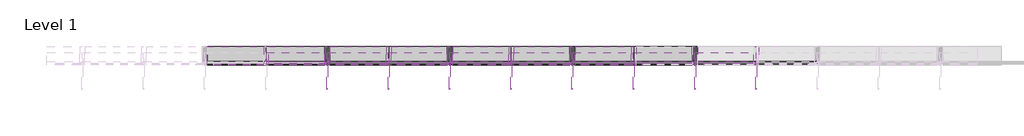
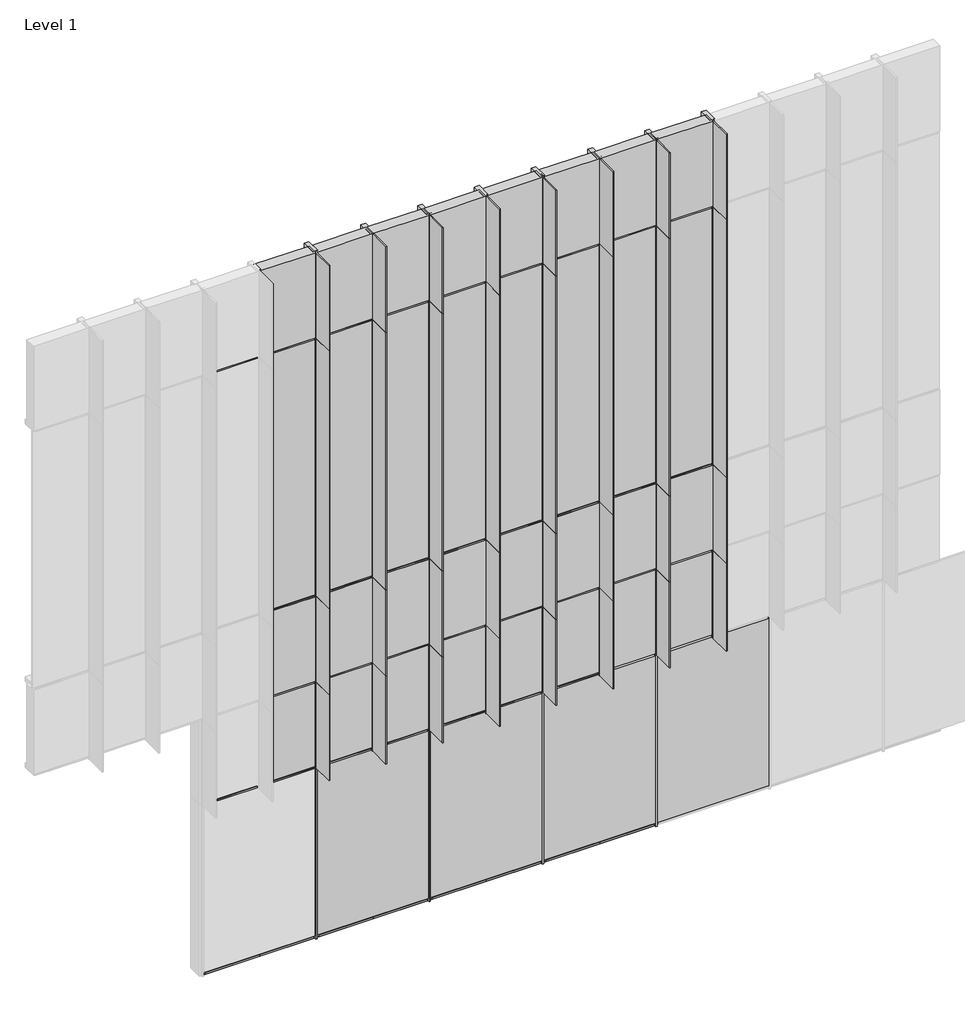
# One storey, part 7 of 15: 73 members, 36 plates.
"""IFC4 building model written with IfcOpenShell, lengths in millimetres."""

import ifcopenshell
import ifcopenshell.guid

model = None  # the IFC model being written
_history = None  # IfcOwnerHistory: only IFC2X3 demands one
_inside = {}  # id of a spatial element -> (the spatial element, [elements in it])
_under = {}  # id of a project, library or spatial element -> (it, [spatial elements below it])
_declared = {}  # id of a project -> (the project, [libraries it declares])
_typed = {}  # id of a type object -> (the type object, [elements of that type])
_made_of = {}  # id of a material, layer set ... -> (it, [elements and type objects made of it])


def new_model(schema):
    """Start an empty IFC model of exactly this schema.

    Asked for "IFC4X3", IfcOpenShell would pick the latest addendum, in which some entities
    have other attributes; the version numbers below select the first issue.
    IFC2X3 requires an IfcOwnerHistory on every rooted entity: one is made here for all.
    """
    global model, _history
    if schema == "IFC4X3":
        model = ifcopenshell.file(schema_version=(4, 3, 0, 0))
    else:
        model = ifcopenshell.file(schema=schema)
    _inside.clear()
    _under.clear()
    _declared.clear()
    _typed.clear()
    _made_of.clear()
    _history = None
    if model.schema == "IFC2X3":
        org = make("IfcOrganization", Name="unknown")
        user = make(
            "IfcPersonAndOrganization",
            ThePerson=make("IfcPerson", FamilyName="unknown"),
            TheOrganization=org,
        )
        app = make(
            "IfcApplication",
            ApplicationDeveloper=org,
            Version="unknown",
            ApplicationFullName="unknown",
            ApplicationIdentifier="unknown",
        )
        _history = make(
            "IfcOwnerHistory",
            OwningUser=user,
            OwningApplication=app,
            ChangeAction="ADDED",
            CreationDate=0,
        )
    return model


def make(cls, **values):
    """One entity of the class cls with the attributes given. An attribute that is None is left unset."""
    return model.create_entity(
        cls, **{name: value for name, value in values.items() if value is not None}
    )


def rooted(cls, **values):
    """An entity with a GlobalId (a new one), such as an element, a storey or a relation."""
    return make(cls, GlobalId=ifcopenshell.guid.new(), OwnerHistory=_history, **values)


def si_unit(unit_type, name, prefix=None):
    """IfcSIUnit, for example si_unit("LENGTHUNIT", "METRE", prefix="MILLI")."""
    return make("IfcSIUnit", UnitType=unit_type, Prefix=prefix, Name=name)


def assignment(units):
    """IfcUnitAssignment: the units of a project."""
    return None if units is None else make("IfcUnitAssignment", Units=units)


def point(xyz):
    """IfcCartesianPoint."""
    return None if xyz is None else make("IfcCartesianPoint", Coordinates=xyz)


def direction(xyz):
    """IfcDirection."""
    return None if xyz is None else make("IfcDirection", DirectionRatios=xyz)


def frame(location, z_axis=None, x_axis=None):
    """IfcAxis2Placement3D, a coordinate frame: its origin and axes. An axis left out is left unset."""
    return make(
        "IfcAxis2Placement3D",
        Location=point(location),
        Axis=direction(z_axis),
        RefDirection=direction(x_axis),
    )


def origin():
    """The frame at (0, 0, 0) with its axes left unset."""
    return frame((0.0, 0.0, 0.0))


def origin_with_axes():
    """The frame at (0, 0, 0) with the z axis (0, 0, 1) and the x axis (1, 0, 0) written out."""
    return frame((0.0, 0.0, 0.0), z_axis=(0.0, 0.0, 1.0), x_axis=(1.0, 0.0, 0.0))


def place(relative_to, where):
    """IfcLocalPlacement: puts the frame where relative to a parent placement (None: the world)."""
    return make(
        "IfcLocalPlacement", PlacementRelTo=relative_to, RelativePlacement=where
    )


def context(
    kind, dimensions, precision=None, world=None, true_north=None, identifier=None
):
    """IfcGeometricRepresentationContext, for example the 3D "Model" context."""
    return make(
        "IfcGeometricRepresentationContext",
        ContextIdentifier=identifier,
        ContextType=kind,
        CoordinateSpaceDimension=dimensions,
        Precision=precision,
        WorldCoordinateSystem=world,
        TrueNorth=true_north,
    )


def project(units=None, contexts=None):
    """IfcProject with its units and contexts."""
    return rooted(
        "IfcProject",
        Name="project",
        RepresentationContexts=contexts,
        UnitsInContext=assignment(units),
    )


def spatial(cls, under=None, at=None, **own):
    """A site, building, storey or space (cls), placed at a placement, below another one or the project."""
    s = rooted(cls, ObjectPlacement=at, **own)
    if under is not None:
        _under.setdefault(under.id(), (under, []))[1].append(s)
    return s


def polyline(points):
    """IfcPolyline through the points."""
    return make("IfcPolyline", Points=[point(p) for p in points])


def outline(outer, holes=None, kind="AREA"):
    """IfcArbitraryClosedProfileDef: a profile drawn as a closed curve; with holes, ...WithVoids."""
    if holes is None:
        return make("IfcArbitraryClosedProfileDef", ProfileType=kind, OuterCurve=outer)
    return make(
        "IfcArbitraryProfileDefWithVoids",
        ProfileType=kind,
        OuterCurve=outer,
        InnerCurves=holes,
    )


def extrude(swept, where, along, depth):
    """IfcExtrudedAreaSolid: the profile swept, set in the frame where, extruded along a direction by depth."""
    return make(
        "IfcExtrudedAreaSolid",
        SweptArea=swept,
        Position=where,
        ExtrudedDirection=direction(along),
        Depth=depth,
    )


def shape(context_of_items, identifier, shape_type, items):
    """IfcShapeRepresentation: the items that make up one representation, for example the "Body"."""
    return make(
        "IfcShapeRepresentation",
        ContextOfItems=context_of_items,
        RepresentationIdentifier=identifier,
        RepresentationType=shape_type,
        Items=items,
    )


def source(mapping_origin, context_of_items, identifier, shape_type, items):
    """IfcRepresentationMap: a shape defined once, which mapped items show again and again."""
    return make(
        "IfcRepresentationMap",
        MappingOrigin=mapping_origin,
        MappedRepresentation=shape(context_of_items, identifier, shape_type, items),
    )


def transform(
    local_origin,
    x_axis=None,
    y_axis=None,
    z_axis=None,
    scale=None,
    scale2=None,
    scale3=None,
    uniform=True,
):
    """IfcCartesianTransformationOperator3D, or its non-uniform kind. x_axis, y_axis, z_axis: its Axis1, 2, 3."""
    if uniform:
        return make(
            "IfcCartesianTransformationOperator3D",
            Axis1=direction(x_axis),
            Axis2=direction(y_axis),
            LocalOrigin=point(local_origin),
            Scale=scale,
            Axis3=direction(z_axis),
        )
    return make(
        "IfcCartesianTransformationOperator3DnonUniform",
        Axis1=direction(x_axis),
        Axis2=direction(y_axis),
        LocalOrigin=point(local_origin),
        Scale=scale,
        Axis3=direction(z_axis),
        Scale2=scale2,
        Scale3=scale3,
    )


def mapped(mapping_source, mapping_target):
    """IfcMappedItem: shows the shape of a source again, moved by a transform."""
    return make(
        "IfcMappedItem", MappingSource=mapping_source, MappingTarget=mapping_target
    )


def made_of(thing, what):
    """Note that an element or type object is made of a material, layer set ...; save() writes the relation."""
    if what is not None:
        _made_of.setdefault(what.id(), (what, []))[1].append(thing)
    return thing


def element(
    cls,
    number,
    at=None,
    inside=None,
    cuts=None,
    type_object=None,
    material=None,
    context=None,
    identifier="Body",
    shape_type=None,
    held_by="IfcProductDefinitionShape",
    body=None,
    shapes=None,
    **own,
):
    """One element of the class cls, such as IfcWall. Its Tag is "e" and its number.

    at: its placement. inside: the storey or other place that contains it. cuts: it is an
    opening in that element (IfcRelVoidsElement). A single representation is given by context,
    identifier, shape_type and body (its items); several are given by shapes. held_by: the class
    of the entity that holds the representations. save() writes the other relations.
    """
    e = rooted(cls, Tag="e%d" % number, ObjectPlacement=at, **own)
    if body is not None:
        shapes = [shape(context, identifier, shape_type, body)]
    if shapes is not None:
        e.Representation = make(held_by, Representations=shapes)
    if inside is not None:
        _inside.setdefault(inside.id(), (inside, []))[1].append(e)
    if cuts is not None:
        rooted(
            "IfcRelVoidsElement", RelatingBuildingElement=cuts, RelatedOpeningElement=e
        )
    if type_object is not None:
        _typed.setdefault(type_object.id(), (type_object, []))[1].append(e)
    return made_of(e, material)


def aggregate(whole, parts):
    """IfcRelAggregates: a whole, such as a stair, and the parts it consists of."""
    return rooted("IfcRelAggregates", RelatingObject=whole, RelatedObjects=parts)


def save(model, path):
    """Write the relations noted so far, then the file.

    IfcRelAggregates (storeys below a building ...), IfcRelContainedInSpatialStructure (elements
    in a storey), IfcRelDefinesByType, IfcRelAssociatesMaterial and IfcRelDeclares: one each for
    every whole, place, type object, material and project.
    """
    for whole, parts in _under.values():
        aggregate(whole, parts)
    for where, things in _inside.values():
        rooted(
            "IfcRelContainedInSpatialStructure",
            RelatedElements=things,
            RelatingStructure=where,
        )
    for kind, things in _typed.values():
        rooted("IfcRelDefinesByType", RelatedObjects=things, RelatingType=kind)
    for what, things in _made_of.values():
        rooted("IfcRelAssociatesMaterial", RelatedObjects=things, RelatingMaterial=what)
    for by, libraries in _declared.values():
        rooted("IfcRelDeclares", RelatingContext=by, RelatedDefinitions=libraries)
    model.write(path)


def rectangular_mullion_658b0388(model_context):
    return source(origin(), model_context, "Body", "SweptSolid", [
        extrude(outline(polyline([(33.2101153, -228.6), (-30.2898847, -228.6), (-30.2898847, -26.9875), (-8.0648847, -26.9875), (-8.0648847, 0.0), (-4.8898847, 0.0), (-4.8898847, 304.8), (7.8101153, 304.8), (7.8101153, 0.0), (10.9851153, 0.0), (10.9851153, -26.9875), (33.2101153, -26.9875), (33.2101153, -228.6)])), frame((0.0, 0.0, -3657.6), z_axis=(0.0, 0.0, 1.0), x_axis=(1.0, 0.0, 0.0)), (0.0, 0.0, 1.0), 3657.6),
    ])


def rectangular_mullion_40a1b22a(model_context):
    return source(origin(), model_context, "Body", "SweptSolid", [
        extrude(outline(polyline([(33.2101153, -228.6), (-30.2898847, -228.6), (-30.2898847, -26.9875), (-8.0648847, -26.9875), (-8.0648847, 0.0), (-4.8898847, 0.0), (-4.8898847, 304.8), (7.8101153, 304.8), (7.8101153, 0.0), (10.9851153, 0.0), (10.9851153, -26.9875), (33.2101153, -26.9875), (33.2101153, -228.6)])), frame((0.0, 0.0, -1219.2), z_axis=(0.0, 0.0, 1.0), x_axis=(1.0, 0.0, 0.0)), (0.0, 0.0, 1.0), 1219.2),
    ])


def rectangular_mullion_8a8c6ea4(model_context):
    return source(origin(), model_context, "Body", "SweptSolid", [
        extrude(outline(polyline([(31.75, -228.6), (-31.75, -228.6), (-31.75, -26.9875), (-9.525, -26.9875), (-9.525, 0.0), (9.525, 0.0), (9.525, -26.9875), (31.75, -26.9875), (31.75, -228.6)])), frame((0.0, 0.0, -698.5), z_axis=(0.0, 0.0, 1.0), x_axis=(1.0, 0.0, 0.0)), (0.0, 0.0, 1.0), 698.5),
    ])


def rectangular_mullion_2ba164b7(model_context):
    return source(origin(), model_context, "Body", "SweptSolid", [
        extrude(outline(polyline([(31.75, -228.6), (-31.75, -228.6), (-31.75, -26.9875), (-9.525, -26.9875), (-9.525, 0.0), (9.525, 0.0), (9.525, -26.9875), (31.75, -26.9875), (31.75, -228.6)])), frame((0.0, 0.0, -2438.4), z_axis=(0.0, 0.0, 1.0), x_axis=(1.0, 0.0, 0.0)), (0.0, 0.0, 1.0), 2438.4),
    ])


def rectangular_mullion_79c372c8(model_context):
    return source(origin(), model_context, "Body", "SweptSolid", [
        extrude(outline(polyline([(33.2101153, -228.6), (-30.2898847, -228.6), (-30.2898847, -26.9875), (-8.0648847, -26.9875), (-8.0648847, 0.0), (-4.8898847, 0.0), (-4.8898847, 304.8), (7.8101153, 304.8), (7.8101153, 0.0), (10.9851153, 0.0), (10.9851153, -26.9875), (33.2101153, -26.9875), (33.2101153, -228.6)])), frame((0.0, 0.0, -1250.95), z_axis=(0.0, 0.0, 1.0), x_axis=(1.0, 0.0, 0.0)), (0.0, 0.0, 1.0), 1250.95),
    ])


def rectangular_mullion_a8ff40d3(model_context):
    return source(origin(), model_context, "Body", "SweptSolid", [
        extrude(outline(polyline([(31.75, -228.6), (-31.75, -228.6), (-31.75, -26.9875), (-9.525, -26.9875), (-9.525, 0.0), (9.525, 0.0), (9.525, -26.9875), (31.75, -26.9875), (31.75, -228.6)])), frame((0.0, 0.0, -697.0398847), z_axis=(0.0, 0.0, 1.0), x_axis=(1.0, 0.0, 0.0)), (0.0, 0.0, 1.0), 697.0398847),
    ])


def rectangular_mullion_34b15848(model_context):
    return source(origin(), model_context, "Body", "SweptSolid", [
        extrude(outline(polyline([(-63.5, -228.6), (-63.5, -26.9875), (-41.275, -26.9875), (-41.275, 0.0), (-22.225, 0.0), (-22.225, -26.9875), (0.0, -26.9875), (0.0, -228.6), (-63.5, -228.6)])), frame((0.0, 0.0, -730.25), z_axis=(0.0, 0.0, 1.0), x_axis=(1.0, 0.0, 0.0)), (0.0, 0.0, 1.0), 730.25),
    ])


def plate_6c5fabed(model_context):
    return source(origin(), model_context, "Body", "SweptSolid", [
        extrude(outline(polyline([(0.0, -752.475), (0.0, 0.0), (0.0, 752.475), (2387.6, 752.475), (2387.6, 0.0), (2387.6, -752.475), (0.0, -752.475)])), frame((0.0, 12.7, 0.0), z_axis=(0.0, 1.0, 0.0), x_axis=(0.0, 0.0, 1.0)), (0.0, 0.0, 1.0), 25.4),
    ])


def plate_a50c4586(model_context):
    return source(origin(), model_context, "Body", "SweptSolid", [
        extrude(outline(polyline([(371.475, 12.7), (-371.475, 12.7), (-371.475, 38.1), (371.475, 38.1), (371.475, 12.7)])), origin_with_axes(), (0.0, 0.0, 1.0), 3638.55),
    ])


def plate_fd20e3dd(model_context):
    return source(origin(), model_context, "Body", "SweptSolid", [
        extrude(outline(polyline([(371.475, 12.7), (-371.475, 12.7), (-371.475, 38.1), (371.475, 38.1), (371.475, 12.7)])), origin_with_axes(), (0.0, 0.0, 1.0), 1200.15),
    ])


def plate_d4540562(model_context):
    return source(origin(), model_context, "Body", "SweptSolid", [
        extrude(outline(polyline([(371.475, 0.0), (-371.475, 0.0), (-371.475, 152.4), (371.475, 152.4), (371.475, 0.0)])), origin_with_axes(), (0.0, 0.0, 1.0), 1200.15),
    ])


def plate_23171f9a(model_context):
    return source(origin(), model_context, "Body", "SweptSolid", [
        extrude(outline(polyline([(371.475, 0.0), (-371.475, 0.0), (-371.475, 152.4), (371.475, 152.4), (371.475, 0.0)])), origin_with_axes(), (0.0, 0.0, 1.0), 1209.675),
    ])


model = new_model("IFC4")

# Units and contexts
model_context = context("Model", 3, world=origin())
ifc_project = project(units=[si_unit("LENGTHUNIT", "METRE", prefix="MILLI")], contexts=[model_context])

# Site, building, storey
site = spatial("IfcSite", under=ifc_project)
building = spatial("IfcBuilding", under=site)
storey = spatial("IfcBuildingStorey", under=building, Name="Level 1", Elevation=0.0)

# Members
placement = place(None, origin())
rectangular_mullion_shape = rectangular_mullion_658b0388(model_context)
element("IfcMember", 1, ObjectType="Rectangular Mullion", at=placement, inside=storey, context=model_context, shape_type="MappedRepresentation", body=[
    mapped(rectangular_mullion_shape, transform((228653.8928019, 88347.5014, 4876.8), x_axis=(1.0, 0.0, 0.0), y_axis=(0.0, -1.0, 0.0), z_axis=(0.0, 0.0, -1.0))),
])
element("IfcMember", 2, ObjectType="Rectangular Mullion", at=placement, inside=storey, context=model_context, shape_type="MappedRepresentation", body=[
    mapped(rectangular_mullion_shape, transform((229415.8928019, 88347.5014, 4876.8), x_axis=(1.0, 0.0, 0.0), y_axis=(0.0, -1.0, 0.0), z_axis=(0.0, 0.0, -1.0))),
])
element("IfcMember", 3, ObjectType="Rectangular Mullion", at=placement, inside=storey, context=model_context, shape_type="MappedRepresentation", body=[
    mapped(rectangular_mullion_shape, transform((230177.8928019, 88347.5014, 4876.8), x_axis=(1.0, 0.0, 0.0), y_axis=(0.0, -1.0, 0.0), z_axis=(0.0, 0.0, -1.0))),
])
element("IfcMember", 4, ObjectType="Rectangular Mullion", at=placement, inside=storey, context=model_context, shape_type="MappedRepresentation", body=[
    mapped(rectangular_mullion_shape, transform((230939.8928019, 88347.5014, 4876.8), x_axis=(1.0, 0.0, 0.0), y_axis=(0.0, -1.0, 0.0), z_axis=(0.0, 0.0, -1.0))),
])
element("IfcMember", 5, ObjectType="Rectangular Mullion", at=placement, inside=storey, context=model_context, shape_type="MappedRepresentation", body=[
    mapped(rectangular_mullion_shape, transform((231701.8928019, 88347.5014, 4876.8), x_axis=(1.0, 0.0, 0.0), y_axis=(0.0, -1.0, 0.0), z_axis=(0.0, 0.0, -1.0))),
])
element("IfcMember", 6, ObjectType="Rectangular Mullion", at=placement, inside=storey, context=model_context, shape_type="MappedRepresentation", body=[
    mapped(rectangular_mullion_shape, transform((232463.8928019, 88347.5014, 4876.8), x_axis=(1.0, 0.0, 0.0), y_axis=(0.0, -1.0, 0.0), z_axis=(0.0, 0.0, -1.0))),
])
element("IfcMember", 7, ObjectType="Rectangular Mullion", at=placement, inside=storey, context=model_context, shape_type="MappedRepresentation", body=[
    mapped(rectangular_mullion_shape, transform((233225.8928019, 88347.5014, 4876.8), x_axis=(1.0, 0.0, 0.0), y_axis=(0.0, -1.0, 0.0), z_axis=(0.0, 0.0, -1.0))),
])
element("IfcMember", 8, ObjectType="Rectangular Mullion", at=placement, inside=storey, context=model_context, shape_type="MappedRepresentation", body=[
    mapped(rectangular_mullion_shape, transform((233987.8928019, 88347.5014, 4876.8), x_axis=(1.0, 0.0, 0.0), y_axis=(0.0, -1.0, 0.0), z_axis=(0.0, 0.0, -1.0))),
])
rectangular_mullion_2_shape = rectangular_mullion_40a1b22a(model_context)
element("IfcMember", 9, ObjectType="Rectangular Mullion", at=placement, inside=storey, context=model_context, shape_type="MappedRepresentation", body=[
    mapped(rectangular_mullion_2_shape, transform((228653.8928019, 88347.5014, 3657.6), x_axis=(1.0, 0.0, 0.0), y_axis=(0.0, -1.0, 0.0), z_axis=(0.0, 0.0, -1.0))),
])
element("IfcMember", 10, ObjectType="Rectangular Mullion", at=placement, inside=storey, context=model_context, shape_type="MappedRepresentation", body=[
    mapped(rectangular_mullion_2_shape, transform((229415.8928019, 88347.5014, 3657.6), x_axis=(1.0, 0.0, 0.0), y_axis=(0.0, -1.0, 0.0), z_axis=(0.0, 0.0, -1.0))),
])
element("IfcMember", 11, ObjectType="Rectangular Mullion", at=placement, inside=storey, context=model_context, shape_type="MappedRepresentation", body=[
    mapped(rectangular_mullion_2_shape, transform((230177.8928019, 88347.5014, 3657.6), x_axis=(1.0, 0.0, 0.0), y_axis=(0.0, -1.0, 0.0), z_axis=(0.0, 0.0, -1.0))),
])
element("IfcMember", 12, ObjectType="Rectangular Mullion", at=placement, inside=storey, context=model_context, shape_type="MappedRepresentation", body=[
    mapped(rectangular_mullion_2_shape, transform((230939.8928019, 88347.5014, 3657.6), x_axis=(1.0, 0.0, 0.0), y_axis=(0.0, -1.0, 0.0), z_axis=(0.0, 0.0, -1.0))),
])
element("IfcMember", 13, ObjectType="Rectangular Mullion", at=placement, inside=storey, context=model_context, shape_type="MappedRepresentation", body=[
    mapped(rectangular_mullion_2_shape, transform((231701.8928019, 88347.5014, 3657.6), x_axis=(1.0, 0.0, 0.0), y_axis=(0.0, -1.0, 0.0), z_axis=(0.0, 0.0, -1.0))),
])
element("IfcMember", 14, ObjectType="Rectangular Mullion", at=placement, inside=storey, context=model_context, shape_type="MappedRepresentation", body=[
    mapped(rectangular_mullion_2_shape, transform((232463.8928019, 88347.5014, 3657.6), x_axis=(1.0, 0.0, 0.0), y_axis=(0.0, -1.0, 0.0), z_axis=(0.0, 0.0, -1.0))),
])
element("IfcMember", 15, ObjectType="Rectangular Mullion", at=placement, inside=storey, context=model_context, shape_type="MappedRepresentation", body=[
    mapped(rectangular_mullion_2_shape, transform((233225.8928019, 88347.5014, 3657.6), x_axis=(1.0, 0.0, 0.0), y_axis=(0.0, -1.0, 0.0), z_axis=(0.0, 0.0, -1.0))),
])
element("IfcMember", 16, ObjectType="Rectangular Mullion", at=placement, inside=storey, context=model_context, shape_type="MappedRepresentation", body=[
    mapped(rectangular_mullion_2_shape, transform((233987.8928019, 88347.5014, 3657.6), x_axis=(1.0, 0.0, 0.0), y_axis=(0.0, -1.0, 0.0), z_axis=(0.0, 0.0, -1.0))),
])
element("IfcMember", 17, ObjectType="Rectangular Mullion", at=placement, inside=storey, context=model_context, shape_type="MappedRepresentation", body=[
    mapped(rectangular_mullion_2_shape, transform((228653.8928019, 88347.5014, 8534.4), x_axis=(1.0, 0.0, 0.0), y_axis=(0.0, -1.0, 0.0), z_axis=(0.0, 0.0, -1.0))),
])
element("IfcMember", 18, ObjectType="Rectangular Mullion", at=placement, inside=storey, context=model_context, shape_type="MappedRepresentation", body=[
    mapped(rectangular_mullion_2_shape, transform((229415.8928019, 88347.5014, 8534.4), x_axis=(1.0, 0.0, 0.0), y_axis=(0.0, -1.0, 0.0), z_axis=(0.0, 0.0, -1.0))),
])
element("IfcMember", 19, ObjectType="Rectangular Mullion", at=placement, inside=storey, context=model_context, shape_type="MappedRepresentation", body=[
    mapped(rectangular_mullion_2_shape, transform((230177.8928019, 88347.5014, 8534.4), x_axis=(1.0, 0.0, 0.0), y_axis=(0.0, -1.0, 0.0), z_axis=(0.0, 0.0, -1.0))),
])
element("IfcMember", 20, ObjectType="Rectangular Mullion", at=placement, inside=storey, context=model_context, shape_type="MappedRepresentation", body=[
    mapped(rectangular_mullion_2_shape, transform((230939.8928019, 88347.5014, 8534.4), x_axis=(1.0, 0.0, 0.0), y_axis=(0.0, -1.0, 0.0), z_axis=(0.0, 0.0, -1.0))),
])
element("IfcMember", 21, ObjectType="Rectangular Mullion", at=placement, inside=storey, context=model_context, shape_type="MappedRepresentation", body=[
    mapped(rectangular_mullion_2_shape, transform((231701.8928019, 88347.5014, 8534.4), x_axis=(1.0, 0.0, 0.0), y_axis=(0.0, -1.0, 0.0), z_axis=(0.0, 0.0, -1.0))),
])
element("IfcMember", 22, ObjectType="Rectangular Mullion", at=placement, inside=storey, context=model_context, shape_type="MappedRepresentation", body=[
    mapped(rectangular_mullion_2_shape, transform((232463.8928019, 88347.5014, 8534.4), x_axis=(1.0, 0.0, 0.0), y_axis=(0.0, -1.0, 0.0), z_axis=(0.0, 0.0, -1.0))),
])
element("IfcMember", 23, ObjectType="Rectangular Mullion", at=placement, inside=storey, context=model_context, shape_type="MappedRepresentation", body=[
    mapped(rectangular_mullion_2_shape, transform((233225.8928019, 88347.5014, 8534.4), x_axis=(1.0, 0.0, 0.0), y_axis=(0.0, -1.0, 0.0), z_axis=(0.0, 0.0, -1.0))),
])
element("IfcMember", 24, ObjectType="Rectangular Mullion", at=placement, inside=storey, context=model_context, shape_type="MappedRepresentation", body=[
    mapped(rectangular_mullion_2_shape, transform((233987.8928019, 88347.5014, 8534.4), x_axis=(1.0, 0.0, 0.0), y_axis=(0.0, -1.0, 0.0), z_axis=(0.0, 0.0, -1.0))),
])
rectangular_mullion_3_shape = rectangular_mullion_8a8c6ea4(model_context)
element("IfcMember", 25, ObjectType="Rectangular Mullion", at=placement, inside=storey, context=model_context, shape_type="MappedRepresentation", body=[
    mapped(rectangular_mullion_3_shape, transform((228623.6029172, 88347.5014, 4876.8), x_axis=(0.0, 0.0, 1.0), y_axis=(0.0, -1.0, 0.0), z_axis=(1.0, 0.0, 0.0))),
])
element("IfcMember", 26, ObjectType="Rectangular Mullion", at=placement, inside=storey, context=model_context, shape_type="MappedRepresentation", body=[
    mapped(rectangular_mullion_3_shape, transform((229385.6029172, 88347.5014, 4876.8), x_axis=(0.0, 0.0, 1.0), y_axis=(0.0, -1.0, 0.0), z_axis=(1.0, 0.0, 0.0))),
])
element("IfcMember", 27, ObjectType="Rectangular Mullion", at=placement, inside=storey, context=model_context, shape_type="MappedRepresentation", body=[
    mapped(rectangular_mullion_3_shape, transform((230147.6029172, 88347.5014, 4876.8), x_axis=(0.0, 0.0, 1.0), y_axis=(0.0, -1.0, 0.0), z_axis=(1.0, 0.0, 0.0))),
])
element("IfcMember", 28, ObjectType="Rectangular Mullion", at=placement, inside=storey, context=model_context, shape_type="MappedRepresentation", body=[
    mapped(rectangular_mullion_3_shape, transform((230909.6029172, 88347.5014, 4876.8), x_axis=(0.0, 0.0, 1.0), y_axis=(0.0, -1.0, 0.0), z_axis=(1.0, 0.0, 0.0))),
])
element("IfcMember", 29, ObjectType="Rectangular Mullion", at=placement, inside=storey, context=model_context, shape_type="MappedRepresentation", body=[
    mapped(rectangular_mullion_3_shape, transform((231671.6029172, 88347.5014, 4876.8), x_axis=(0.0, 0.0, 1.0), y_axis=(0.0, -1.0, 0.0), z_axis=(1.0, 0.0, 0.0))),
])
element("IfcMember", 30, ObjectType="Rectangular Mullion", at=placement, inside=storey, context=model_context, shape_type="MappedRepresentation", body=[
    mapped(rectangular_mullion_3_shape, transform((232433.6029172, 88347.5014, 4876.8), x_axis=(0.0, 0.0, 1.0), y_axis=(0.0, -1.0, 0.0), z_axis=(1.0, 0.0, 0.0))),
])
element("IfcMember", 31, ObjectType="Rectangular Mullion", at=placement, inside=storey, context=model_context, shape_type="MappedRepresentation", body=[
    mapped(rectangular_mullion_3_shape, transform((233195.6029172, 88347.5014, 4876.8), x_axis=(0.0, 0.0, 1.0), y_axis=(0.0, -1.0, 0.0), z_axis=(1.0, 0.0, 0.0))),
])
element("IfcMember", 32, ObjectType="Rectangular Mullion", at=placement, inside=storey, context=model_context, shape_type="MappedRepresentation", body=[
    mapped(rectangular_mullion_3_shape, transform((233957.6029172, 88347.5014, 4876.8), x_axis=(0.0, 0.0, 1.0), y_axis=(0.0, -1.0, 0.0), z_axis=(1.0, 0.0, 0.0))),
])
element("IfcMember", 33, ObjectType="Rectangular Mullion", at=placement, inside=storey, context=model_context, shape_type="MappedRepresentation", body=[
    mapped(rectangular_mullion_3_shape, transform((228623.6029172, 88347.5014, 3657.6), x_axis=(0.0, 0.0, 1.0), y_axis=(0.0, -1.0, 0.0), z_axis=(1.0, 0.0, 0.0))),
])
element("IfcMember", 34, ObjectType="Rectangular Mullion", at=placement, inside=storey, context=model_context, shape_type="MappedRepresentation", body=[
    mapped(rectangular_mullion_3_shape, transform((229385.6029172, 88347.5014, 3657.6), x_axis=(0.0, 0.0, 1.0), y_axis=(0.0, -1.0, 0.0), z_axis=(1.0, 0.0, 0.0))),
])
element("IfcMember", 35, ObjectType="Rectangular Mullion", at=placement, inside=storey, context=model_context, shape_type="MappedRepresentation", body=[
    mapped(rectangular_mullion_3_shape, transform((230147.6029172, 88347.5014, 3657.6), x_axis=(0.0, 0.0, 1.0), y_axis=(0.0, -1.0, 0.0), z_axis=(1.0, 0.0, 0.0))),
])
element("IfcMember", 36, ObjectType="Rectangular Mullion", at=placement, inside=storey, context=model_context, shape_type="MappedRepresentation", body=[
    mapped(rectangular_mullion_3_shape, transform((230909.6029172, 88347.5014, 3657.6), x_axis=(0.0, 0.0, 1.0), y_axis=(0.0, -1.0, 0.0), z_axis=(1.0, 0.0, 0.0))),
])
element("IfcMember", 37, ObjectType="Rectangular Mullion", at=placement, inside=storey, context=model_context, shape_type="MappedRepresentation", body=[
    mapped(rectangular_mullion_3_shape, transform((231671.6029172, 88347.5014, 3657.6), x_axis=(0.0, 0.0, 1.0), y_axis=(0.0, -1.0, 0.0), z_axis=(1.0, 0.0, 0.0))),
])
element("IfcMember", 38, ObjectType="Rectangular Mullion", at=placement, inside=storey, context=model_context, shape_type="MappedRepresentation", body=[
    mapped(rectangular_mullion_3_shape, transform((232433.6029172, 88347.5014, 3657.6), x_axis=(0.0, 0.0, 1.0), y_axis=(0.0, -1.0, 0.0), z_axis=(1.0, 0.0, 0.0))),
])
element("IfcMember", 39, ObjectType="Rectangular Mullion", at=placement, inside=storey, context=model_context, shape_type="MappedRepresentation", body=[
    mapped(rectangular_mullion_3_shape, transform((233195.6029172, 88347.5014, 3657.6), x_axis=(0.0, 0.0, 1.0), y_axis=(0.0, -1.0, 0.0), z_axis=(1.0, 0.0, 0.0))),
])
element("IfcMember", 40, ObjectType="Rectangular Mullion", at=placement, inside=storey, context=model_context, shape_type="MappedRepresentation", body=[
    mapped(rectangular_mullion_3_shape, transform((227861.6029172, 88347.5014, 8534.4), x_axis=(0.0, 0.0, 1.0), y_axis=(0.0, -1.0, 0.0), z_axis=(1.0, 0.0, 0.0))),
])
element("IfcMember", 41, ObjectType="Rectangular Mullion", at=placement, inside=storey, context=model_context, shape_type="MappedRepresentation", body=[
    mapped(rectangular_mullion_3_shape, transform((228623.6029172, 88347.5014, 8534.4), x_axis=(0.0, 0.0, 1.0), y_axis=(0.0, -1.0, 0.0), z_axis=(1.0, 0.0, 0.0))),
])
element("IfcMember", 42, ObjectType="Rectangular Mullion", at=placement, inside=storey, context=model_context, shape_type="MappedRepresentation", body=[
    mapped(rectangular_mullion_3_shape, transform((229385.6029172, 88347.5014, 8534.4), x_axis=(0.0, 0.0, 1.0), y_axis=(0.0, -1.0, 0.0), z_axis=(1.0, 0.0, 0.0))),
])
element("IfcMember", 43, ObjectType="Rectangular Mullion", at=placement, inside=storey, context=model_context, shape_type="MappedRepresentation", body=[
    mapped(rectangular_mullion_3_shape, transform((230147.6029172, 88347.5014, 8534.4), x_axis=(0.0, 0.0, 1.0), y_axis=(0.0, -1.0, 0.0), z_axis=(1.0, 0.0, 0.0))),
])
element("IfcMember", 44, ObjectType="Rectangular Mullion", at=placement, inside=storey, context=model_context, shape_type="MappedRepresentation", body=[
    mapped(rectangular_mullion_3_shape, transform((230909.6029172, 88347.5014, 8534.4), x_axis=(0.0, 0.0, 1.0), y_axis=(0.0, -1.0, 0.0), z_axis=(1.0, 0.0, 0.0))),
])
element("IfcMember", 45, ObjectType="Rectangular Mullion", at=placement, inside=storey, context=model_context, shape_type="MappedRepresentation", body=[
    mapped(rectangular_mullion_3_shape, transform((231671.6029172, 88347.5014, 8534.4), x_axis=(0.0, 0.0, 1.0), y_axis=(0.0, -1.0, 0.0), z_axis=(1.0, 0.0, 0.0))),
])
element("IfcMember", 46, ObjectType="Rectangular Mullion", at=placement, inside=storey, context=model_context, shape_type="MappedRepresentation", body=[
    mapped(rectangular_mullion_3_shape, transform((232433.6029172, 88347.5014, 8534.4), x_axis=(0.0, 0.0, 1.0), y_axis=(0.0, -1.0, 0.0), z_axis=(1.0, 0.0, 0.0))),
])
element("IfcMember", 47, ObjectType="Rectangular Mullion", at=placement, inside=storey, context=model_context, shape_type="MappedRepresentation", body=[
    mapped(rectangular_mullion_3_shape, transform((227861.6029172, 88347.5014, 2438.4), x_axis=(0.0, 0.0, 1.0), y_axis=(0.0, -1.0, 0.0), z_axis=(1.0, 0.0, 0.0))),
])
element("IfcMember", 48, ObjectType="Rectangular Mullion", at=placement, inside=storey, context=model_context, shape_type="MappedRepresentation", body=[
    mapped(rectangular_mullion_3_shape, transform((229385.6029172, 88347.5014, 2438.4), x_axis=(0.0, 0.0, 1.0), y_axis=(0.0, -1.0, 0.0), z_axis=(1.0, 0.0, 0.0))),
])
element("IfcMember", 49, ObjectType="Rectangular Mullion", at=placement, inside=storey, context=model_context, shape_type="MappedRepresentation", body=[
    mapped(rectangular_mullion_3_shape, transform((230909.6029172, 88347.5014, 2438.4), x_axis=(0.0, 0.0, 1.0), y_axis=(0.0, -1.0, 0.0), z_axis=(1.0, 0.0, 0.0))),
])
element("IfcMember", 50, ObjectType="Rectangular Mullion", at=placement, inside=storey, context=model_context, shape_type="MappedRepresentation", body=[
    mapped(rectangular_mullion_3_shape, transform((232433.6029172, 88347.5014, 2438.4), x_axis=(0.0, 0.0, 1.0), y_axis=(0.0, -1.0, 0.0), z_axis=(1.0, 0.0, 0.0))),
])
rectangular_mullion_4_shape = rectangular_mullion_2ba164b7(model_context)
element("IfcMember", 51, ObjectType="Rectangular Mullion", at=placement, inside=storey, context=model_context, shape_type="MappedRepresentation", body=[
    mapped(rectangular_mullion_4_shape, transform((228653.8928019, 88347.5014, 0.0), x_axis=(1.0, 0.0, 0.0), y_axis=(0.0, -1.0, 0.0), z_axis=(0.0, 0.0, -1.0))),
])
element("IfcMember", 52, ObjectType="Rectangular Mullion", at=placement, inside=storey, context=model_context, shape_type="MappedRepresentation", body=[
    mapped(rectangular_mullion_4_shape, transform((230177.8928019, 88347.5014, 0.0), x_axis=(1.0, 0.0, 0.0), y_axis=(0.0, -1.0, 0.0), z_axis=(0.0, 0.0, -1.0))),
])
element("IfcMember", 53, ObjectType="Rectangular Mullion", at=placement, inside=storey, context=model_context, shape_type="MappedRepresentation", body=[
    mapped(rectangular_mullion_4_shape, transform((231701.8928019, 88347.5014, 0.0), x_axis=(1.0, 0.0, 0.0), y_axis=(0.0, -1.0, 0.0), z_axis=(0.0, 0.0, -1.0))),
])
element("IfcMember", 54, ObjectType="Rectangular Mullion", at=placement, inside=storey, context=model_context, shape_type="MappedRepresentation", body=[
    mapped(rectangular_mullion_4_shape, transform((233225.8928019, 88347.5014, 0.0), x_axis=(1.0, 0.0, 0.0), y_axis=(0.0, -1.0, 0.0), z_axis=(0.0, 0.0, -1.0))),
])
rectangular_mullion_5_shape = rectangular_mullion_79c372c8(model_context)
element("IfcMember", 55, ObjectType="Rectangular Mullion", at=placement, inside=storey, context=model_context, shape_type="MappedRepresentation", body=[
    mapped(rectangular_mullion_5_shape, transform((229415.8928019, 88347.5014, 2406.65), x_axis=(1.0, 0.0, 0.0), y_axis=(0.0, -1.0, 0.0), z_axis=(0.0, 0.0, -1.0))),
])
element("IfcMember", 56, ObjectType="Rectangular Mullion", at=placement, inside=storey, context=model_context, shape_type="MappedRepresentation", body=[
    mapped(rectangular_mullion_5_shape, transform((230939.8928019, 88347.5014, 2406.65), x_axis=(1.0, 0.0, 0.0), y_axis=(0.0, -1.0, 0.0), z_axis=(0.0, 0.0, -1.0))),
])
element("IfcMember", 57, ObjectType="Rectangular Mullion", at=placement, inside=storey, context=model_context, shape_type="MappedRepresentation", body=[
    mapped(rectangular_mullion_5_shape, transform((232463.8928019, 88347.5014, 2406.65), x_axis=(1.0, 0.0, 0.0), y_axis=(0.0, -1.0, 0.0), z_axis=(0.0, 0.0, -1.0))),
])
element("IfcMember", 58, ObjectType="Rectangular Mullion", at=placement, inside=storey, context=model_context, shape_type="MappedRepresentation", body=[
    mapped(rectangular_mullion_5_shape, transform((233987.8928019, 88347.5014, 2406.65), x_axis=(1.0, 0.0, 0.0), y_axis=(0.0, -1.0, 0.0), z_axis=(0.0, 0.0, -1.0))),
])
element("IfcMember", 59, ObjectType="Rectangular Mullion", at=placement, inside=storey, context=model_context, shape_type="MappedRepresentation", body=[
    mapped(rectangular_mullion_2_shape, transform((228653.8928019, 88347.5014, 2438.4), x_axis=(1.0, 0.0, 0.0), y_axis=(0.0, -1.0, 0.0), z_axis=(0.0, 0.0, -1.0))),
])
element("IfcMember", 60, ObjectType="Rectangular Mullion", at=placement, inside=storey, context=model_context, shape_type="MappedRepresentation", body=[
    mapped(rectangular_mullion_2_shape, transform((230177.8928019, 88347.5014, 2438.4), x_axis=(1.0, 0.0, 0.0), y_axis=(0.0, -1.0, 0.0), z_axis=(0.0, 0.0, -1.0))),
])
element("IfcMember", 61, ObjectType="Rectangular Mullion", at=placement, inside=storey, context=model_context, shape_type="MappedRepresentation", body=[
    mapped(rectangular_mullion_2_shape, transform((231701.8928019, 88347.5014, 2438.4), x_axis=(1.0, 0.0, 0.0), y_axis=(0.0, -1.0, 0.0), z_axis=(0.0, 0.0, -1.0))),
])
element("IfcMember", 62, ObjectType="Rectangular Mullion", at=placement, inside=storey, context=model_context, shape_type="MappedRepresentation", body=[
    mapped(rectangular_mullion_2_shape, transform((233225.8928019, 88347.5014, 2438.4), x_axis=(1.0, 0.0, 0.0), y_axis=(0.0, -1.0, 0.0), z_axis=(0.0, 0.0, -1.0))),
])
rectangular_mullion_6_shape = rectangular_mullion_a8ff40d3(model_context)
element("IfcMember", 63, ObjectType="Rectangular Mullion", at=placement, inside=storey, context=model_context, shape_type="MappedRepresentation", body=[
    mapped(rectangular_mullion_6_shape, transform((228622.1428019, 88347.5014, 2438.4), x_axis=(0.0, 0.0, 1.0), y_axis=(0.0, -1.0, 0.0), z_axis=(1.0, 0.0, 0.0))),
])
element("IfcMember", 64, ObjectType="Rectangular Mullion", at=placement, inside=storey, context=model_context, shape_type="MappedRepresentation", body=[
    mapped(rectangular_mullion_6_shape, transform((230146.1428019, 88347.5014, 2438.4), x_axis=(0.0, 0.0, 1.0), y_axis=(0.0, -1.0, 0.0), z_axis=(1.0, 0.0, 0.0))),
])
element("IfcMember", 65, ObjectType="Rectangular Mullion", at=placement, inside=storey, context=model_context, shape_type="MappedRepresentation", body=[
    mapped(rectangular_mullion_6_shape, transform((231670.1428019, 88347.5014, 2438.4), x_axis=(0.0, 0.0, 1.0), y_axis=(0.0, -1.0, 0.0), z_axis=(1.0, 0.0, 0.0))),
])
rectangular_mullion_7_shape = rectangular_mullion_34b15848(model_context)
element("IfcMember", 66, ObjectType="Rectangular Mullion", at=placement, inside=storey, context=model_context, shape_type="MappedRepresentation", body=[
    mapped(rectangular_mullion_7_shape, transform((231733.6428019, 88347.5014, 0.0), x_axis=(0.0, 0.0, -1.0), y_axis=(0.0, -1.0, 0.0), z_axis=(-1.0, 0.0, 0.0))),
])
element("IfcMember", 67, ObjectType="Rectangular Mullion", at=placement, inside=storey, context=model_context, shape_type="MappedRepresentation", body=[
    mapped(rectangular_mullion_7_shape, transform((230209.6428019, 88347.5014, 0.0), x_axis=(0.0, 0.0, -1.0), y_axis=(0.0, -1.0, 0.0), z_axis=(-1.0, 0.0, 0.0))),
])
element("IfcMember", 68, ObjectType="Rectangular Mullion", at=placement, inside=storey, context=model_context, shape_type="MappedRepresentation", body=[
    mapped(rectangular_mullion_7_shape, transform((228685.6428019, 88347.5014, 0.0), x_axis=(0.0, 0.0, -1.0), y_axis=(0.0, -1.0, 0.0), z_axis=(-1.0, 0.0, 0.0))),
])
element("IfcMember", 69, ObjectType="Rectangular Mullion", at=placement, inside=storey, context=model_context, shape_type="MappedRepresentation", body=[
    mapped(rectangular_mullion_7_shape, transform((227161.6428019, 88347.5014, 0.0), x_axis=(0.0, 0.0, -1.0), y_axis=(0.0, -1.0, 0.0), z_axis=(-1.0, 0.0, 0.0))),
])
element("IfcMember", 70, ObjectType="Rectangular Mullion", at=placement, inside=storey, context=model_context, shape_type="MappedRepresentation", body=[
    mapped(rectangular_mullion_7_shape, transform((232463.8928019, 88347.5014, 0.0), x_axis=(0.0, 0.0, -1.0), y_axis=(0.0, -1.0, 0.0), z_axis=(-1.0, 0.0, 0.0))),
])
element("IfcMember", 71, ObjectType="Rectangular Mullion", at=placement, inside=storey, context=model_context, shape_type="MappedRepresentation", body=[
    mapped(rectangular_mullion_7_shape, transform((230939.8928019, 88347.5014, 0.0), x_axis=(0.0, 0.0, -1.0), y_axis=(0.0, -1.0, 0.0), z_axis=(-1.0, 0.0, 0.0))),
])
element("IfcMember", 72, ObjectType="Rectangular Mullion", at=placement, inside=storey, context=model_context, shape_type="MappedRepresentation", body=[
    mapped(rectangular_mullion_7_shape, transform((229415.8928019, 88347.5014, 0.0), x_axis=(0.0, 0.0, -1.0), y_axis=(0.0, -1.0, 0.0), z_axis=(-1.0, 0.0, 0.0))),
])
element("IfcMember", 73, ObjectType="Rectangular Mullion", at=placement, inside=storey, context=model_context, shape_type="MappedRepresentation", body=[
    mapped(rectangular_mullion_7_shape, transform((227891.8928019, 88347.5014, 0.0), x_axis=(0.0, 0.0, -1.0), y_axis=(0.0, -1.0, 0.0), z_axis=(-1.0, 0.0, 0.0))),
])

# Plates
plate_shape = plate_6c5fabed(model_context)
element("IfcPlate", 74, ObjectType="System Panel : 1\" Glass - Exterior - GL-1", at=placement, inside=storey, context=model_context, shape_type="MappedRepresentation", body=[
    mapped(plate_shape, transform((229415.8928019, 88347.5014, 41.275), x_axis=(1.0, 0.0, 0.0), y_axis=(0.0, 1.0, 0.0), z_axis=(0.0, 0.0, 1.0))),
])
element("IfcPlate", 75, ObjectType="System Panel : 1\" Glass - Exterior - GL-1", at=placement, inside=storey, context=model_context, shape_type="MappedRepresentation", body=[
    mapped(plate_shape, transform((230939.8928019, 88347.5014, 41.275), x_axis=(1.0, 0.0, 0.0), y_axis=(0.0, 1.0, 0.0), z_axis=(0.0, 0.0, 1.0))),
])
element("IfcPlate", 76, ObjectType="System Panel : 1\" Glass - Exterior - GL-1", at=placement, inside=storey, context=model_context, shape_type="MappedRepresentation", body=[
    mapped(plate_shape, transform((232463.8928019, 88347.5014, 41.275), x_axis=(1.0, 0.0, 0.0), y_axis=(0.0, 1.0, 0.0), z_axis=(0.0, 0.0, 1.0))),
])
element("IfcPlate", 77, ObjectType="System Panel : 1\" Glass - Exterior - GL-1", at=placement, inside=storey, context=model_context, shape_type="MappedRepresentation", body=[
    mapped(plate_shape, transform((233987.8928019, 88347.5014, 41.275), x_axis=(1.0, 0.0, 0.0), y_axis=(0.0, 1.0, 0.0), z_axis=(0.0, 0.0, 1.0))),
])
plate_2_shape = plate_a50c4586(model_context)
element("IfcPlate", 78, ObjectType="System Panel : 1\" Glass - Exterior - GL-1", at=placement, inside=storey, context=model_context, shape_type="MappedRepresentation", body=[
    mapped(plate_2_shape, transform((228274.3529172, 88347.5014, 4886.325), x_axis=(1.0, 0.0, 0.0), y_axis=(0.0, 1.0, 0.0), z_axis=(0.0, 0.0, 1.0))),
])
element("IfcPlate", 79, ObjectType="System Panel : 1\" Glass - Exterior - GL-1", at=placement, inside=storey, context=model_context, shape_type="MappedRepresentation", body=[
    mapped(plate_2_shape, transform((229036.3529172, 88347.5014, 4886.325), x_axis=(1.0, 0.0, 0.0), y_axis=(0.0, 1.0, 0.0), z_axis=(0.0, 0.0, 1.0))),
])
element("IfcPlate", 80, ObjectType="System Panel : 1\" Glass - Exterior - GL-1", at=placement, inside=storey, context=model_context, shape_type="MappedRepresentation", body=[
    mapped(plate_2_shape, transform((229798.3529172, 88347.5014, 4886.325), x_axis=(1.0, 0.0, 0.0), y_axis=(0.0, 1.0, 0.0), z_axis=(0.0, 0.0, 1.0))),
])
element("IfcPlate", 81, ObjectType="System Panel : 1\" Glass - Exterior - GL-1", at=placement, inside=storey, context=model_context, shape_type="MappedRepresentation", body=[
    mapped(plate_2_shape, transform((230560.3529172, 88347.5014, 4886.325), x_axis=(1.0, 0.0, 0.0), y_axis=(0.0, 1.0, 0.0), z_axis=(0.0, 0.0, 1.0))),
])
element("IfcPlate", 82, ObjectType="System Panel : 1\" Glass - Exterior - GL-1", at=placement, inside=storey, context=model_context, shape_type="MappedRepresentation", body=[
    mapped(plate_2_shape, transform((231322.3529172, 88347.5014, 4886.325), x_axis=(1.0, 0.0, 0.0), y_axis=(0.0, 1.0, 0.0), z_axis=(0.0, 0.0, 1.0))),
])
element("IfcPlate", 83, ObjectType="System Panel : 1\" Glass - Exterior - GL-1", at=placement, inside=storey, context=model_context, shape_type="MappedRepresentation", body=[
    mapped(plate_2_shape, transform((232084.3529172, 88347.5014, 4886.325), x_axis=(1.0, 0.0, 0.0), y_axis=(0.0, 1.0, 0.0), z_axis=(0.0, 0.0, 1.0))),
])
element("IfcPlate", 84, ObjectType="System Panel : 1\" Glass - Exterior - GL-1", at=placement, inside=storey, context=model_context, shape_type="MappedRepresentation", body=[
    mapped(plate_2_shape, transform((232846.3529172, 88347.5014, 4886.325), x_axis=(1.0, 0.0, 0.0), y_axis=(0.0, 1.0, 0.0), z_axis=(0.0, 0.0, 1.0))),
])
element("IfcPlate", 85, ObjectType="System Panel : 1\" Glass - Exterior - GL-1", at=placement, inside=storey, context=model_context, shape_type="MappedRepresentation", body=[
    mapped(plate_2_shape, transform((233608.3529172, 88347.5014, 4886.325), x_axis=(1.0, 0.0, 0.0), y_axis=(0.0, 1.0, 0.0), z_axis=(0.0, 0.0, 1.0))),
])
plate_3_shape = plate_fd20e3dd(model_context)
element("IfcPlate", 86, ObjectType="System Panel : 1\" Glass - Exterior - GL-1", at=placement, inside=storey, context=model_context, shape_type="MappedRepresentation", body=[
    mapped(plate_3_shape, transform((228274.3529172, 88347.5014, 2447.925), x_axis=(1.0, 0.0, 0.0), y_axis=(0.0, 1.0, 0.0), z_axis=(0.0, 0.0, 1.0))),
])
element("IfcPlate", 87, ObjectType="System Panel : 1\" Glass - Exterior - GL-1", at=placement, inside=storey, context=model_context, shape_type="MappedRepresentation", body=[
    mapped(plate_3_shape, transform((229036.3529172, 88347.5014, 2447.925), x_axis=(1.0, 0.0, 0.0), y_axis=(0.0, 1.0, 0.0), z_axis=(0.0, 0.0, 1.0))),
])
element("IfcPlate", 88, ObjectType="System Panel : 1\" Glass - Exterior - GL-1", at=placement, inside=storey, context=model_context, shape_type="MappedRepresentation", body=[
    mapped(plate_3_shape, transform((229798.3529172, 88347.5014, 2447.925), x_axis=(1.0, 0.0, 0.0), y_axis=(0.0, 1.0, 0.0), z_axis=(0.0, 0.0, 1.0))),
])
element("IfcPlate", 89, ObjectType="System Panel : 1\" Glass - Exterior - GL-1", at=placement, inside=storey, context=model_context, shape_type="MappedRepresentation", body=[
    mapped(plate_3_shape, transform((230560.3529172, 88347.5014, 2447.925), x_axis=(1.0, 0.0, 0.0), y_axis=(0.0, 1.0, 0.0), z_axis=(0.0, 0.0, 1.0))),
])
element("IfcPlate", 90, ObjectType="System Panel : 1\" Glass - Exterior - GL-1", at=placement, inside=storey, context=model_context, shape_type="MappedRepresentation", body=[
    mapped(plate_3_shape, transform((231322.3529172, 88347.5014, 2447.925), x_axis=(1.0, 0.0, 0.0), y_axis=(0.0, 1.0, 0.0), z_axis=(0.0, 0.0, 1.0))),
])
element("IfcPlate", 91, ObjectType="System Panel : 1\" Glass - Exterior - GL-1", at=placement, inside=storey, context=model_context, shape_type="MappedRepresentation", body=[
    mapped(plate_3_shape, transform((232084.3529172, 88347.5014, 2447.925), x_axis=(1.0, 0.0, 0.0), y_axis=(0.0, 1.0, 0.0), z_axis=(0.0, 0.0, 1.0))),
])
element("IfcPlate", 92, ObjectType="System Panel : 1\" Glass - Exterior - GL-1", at=placement, inside=storey, context=model_context, shape_type="MappedRepresentation", body=[
    mapped(plate_3_shape, transform((232846.3529172, 88347.5014, 2447.925), x_axis=(1.0, 0.0, 0.0), y_axis=(0.0, 1.0, 0.0), z_axis=(0.0, 0.0, 1.0))),
])
element("IfcPlate", 93, ObjectType="System Panel : 1\" Glass - Exterior - GL-1", at=placement, inside=storey, context=model_context, shape_type="MappedRepresentation", body=[
    mapped(plate_3_shape, transform((233608.3529172, 88347.5014, 2447.925), x_axis=(1.0, 0.0, 0.0), y_axis=(0.0, 1.0, 0.0), z_axis=(0.0, 0.0, 1.0))),
])
plate_4_shape = plate_d4540562(model_context)
element("IfcPlate", 94, ObjectType="System Panel : 1\" Glass - Exterior - GL-2 - Shadow Box", at=placement, inside=storey, context=model_context, shape_type="MappedRepresentation", body=[
    mapped(plate_4_shape, transform((228274.3529172, 88347.5014, 3667.125), x_axis=(1.0, 0.0, 0.0), y_axis=(0.0, 1.0, 0.0), z_axis=(0.0, 0.0, 1.0))),
])
element("IfcPlate", 95, ObjectType="System Panel : 1\" Glass - Exterior - GL-2 - Shadow Box", at=placement, inside=storey, context=model_context, shape_type="MappedRepresentation", body=[
    mapped(plate_4_shape, transform((229036.3529172, 88347.5014, 3667.125), x_axis=(1.0, 0.0, 0.0), y_axis=(0.0, 1.0, 0.0), z_axis=(0.0, 0.0, 1.0))),
])
element("IfcPlate", 96, ObjectType="System Panel : 1\" Glass - Exterior - GL-2 - Shadow Box", at=placement, inside=storey, context=model_context, shape_type="MappedRepresentation", body=[
    mapped(plate_4_shape, transform((229798.3529172, 88347.5014, 3667.125), x_axis=(1.0, 0.0, 0.0), y_axis=(0.0, 1.0, 0.0), z_axis=(0.0, 0.0, 1.0))),
])
element("IfcPlate", 97, ObjectType="System Panel : 1\" Glass - Exterior - GL-2 - Shadow Box", at=placement, inside=storey, context=model_context, shape_type="MappedRepresentation", body=[
    mapped(plate_4_shape, transform((230560.3529172, 88347.5014, 3667.125), x_axis=(1.0, 0.0, 0.0), y_axis=(0.0, 1.0, 0.0), z_axis=(0.0, 0.0, 1.0))),
])
element("IfcPlate", 98, ObjectType="System Panel : 1\" Glass - Exterior - GL-2 - Shadow Box", at=placement, inside=storey, context=model_context, shape_type="MappedRepresentation", body=[
    mapped(plate_4_shape, transform((231322.3529172, 88347.5014, 3667.125), x_axis=(1.0, 0.0, 0.0), y_axis=(0.0, 1.0, 0.0), z_axis=(0.0, 0.0, 1.0))),
])
element("IfcPlate", 99, ObjectType="System Panel : 1\" Glass - Exterior - GL-2 - Shadow Box", at=placement, inside=storey, context=model_context, shape_type="MappedRepresentation", body=[
    mapped(plate_4_shape, transform((232084.3529172, 88347.5014, 3667.125), x_axis=(1.0, 0.0, 0.0), y_axis=(0.0, 1.0, 0.0), z_axis=(0.0, 0.0, 1.0))),
])
element("IfcPlate", 100, ObjectType="System Panel : 1\" Glass - Exterior - GL-2 - Shadow Box", at=placement, inside=storey, context=model_context, shape_type="MappedRepresentation", body=[
    mapped(plate_4_shape, transform((232846.3529172, 88347.5014, 3667.125), x_axis=(1.0, 0.0, 0.0), y_axis=(0.0, 1.0, 0.0), z_axis=(0.0, 0.0, 1.0))),
])
element("IfcPlate", 101, ObjectType="System Panel : 1\" Glass - Exterior - GL-2 - Shadow Box", at=placement, inside=storey, context=model_context, shape_type="MappedRepresentation", body=[
    mapped(plate_4_shape, transform((233608.3529172, 88347.5014, 3667.125), x_axis=(1.0, 0.0, 0.0), y_axis=(0.0, 1.0, 0.0), z_axis=(0.0, 0.0, 1.0))),
])
plate_5_shape = plate_23171f9a(model_context)
element("IfcPlate", 102, ObjectType="System Panel : 1\" Glass - Exterior - GL-2 - Shadow Box", at=placement, inside=storey, context=model_context, shape_type="MappedRepresentation", body=[
    mapped(plate_5_shape, transform((228274.3529172, 88347.5014, 8543.925), x_axis=(1.0, 0.0, 0.0), y_axis=(0.0, 1.0, 0.0), z_axis=(0.0, 0.0, 1.0))),
])
element("IfcPlate", 103, ObjectType="System Panel : 1\" Glass - Exterior - GL-2 - Shadow Box", at=placement, inside=storey, context=model_context, shape_type="MappedRepresentation", body=[
    mapped(plate_5_shape, transform((229036.3529172, 88347.5014, 8543.925), x_axis=(1.0, 0.0, 0.0), y_axis=(0.0, 1.0, 0.0), z_axis=(0.0, 0.0, 1.0))),
])
element("IfcPlate", 104, ObjectType="System Panel : 1\" Glass - Exterior - GL-2 - Shadow Box", at=placement, inside=storey, context=model_context, shape_type="MappedRepresentation", body=[
    mapped(plate_5_shape, transform((229798.3529172, 88347.5014, 8543.925), x_axis=(1.0, 0.0, 0.0), y_axis=(0.0, 1.0, 0.0), z_axis=(0.0, 0.0, 1.0))),
])
element("IfcPlate", 105, ObjectType="System Panel : 1\" Glass - Exterior - GL-2 - Shadow Box", at=placement, inside=storey, context=model_context, shape_type="MappedRepresentation", body=[
    mapped(plate_5_shape, transform((230560.3529172, 88347.5014, 8543.925), x_axis=(1.0, 0.0, 0.0), y_axis=(0.0, 1.0, 0.0), z_axis=(0.0, 0.0, 1.0))),
])
element("IfcPlate", 106, ObjectType="System Panel : 1\" Glass - Exterior - GL-2 - Shadow Box", at=placement, inside=storey, context=model_context, shape_type="MappedRepresentation", body=[
    mapped(plate_5_shape, transform((231322.3529172, 88347.5014, 8543.925), x_axis=(1.0, 0.0, 0.0), y_axis=(0.0, 1.0, 0.0), z_axis=(0.0, 0.0, 1.0))),
])
element("IfcPlate", 107, ObjectType="System Panel : 1\" Glass - Exterior - GL-2 - Shadow Box", at=placement, inside=storey, context=model_context, shape_type="MappedRepresentation", body=[
    mapped(plate_5_shape, transform((232084.3529172, 88347.5014, 8543.925), x_axis=(1.0, 0.0, 0.0), y_axis=(0.0, 1.0, 0.0), z_axis=(0.0, 0.0, 1.0))),
])
element("IfcPlate", 108, ObjectType="System Panel : 1\" Glass - Exterior - GL-2 - Shadow Box", at=placement, inside=storey, context=model_context, shape_type="MappedRepresentation", body=[
    mapped(plate_5_shape, transform((232846.3529172, 88347.5014, 8543.925), x_axis=(1.0, 0.0, 0.0), y_axis=(0.0, 1.0, 0.0), z_axis=(0.0, 0.0, 1.0))),
])
element("IfcPlate", 109, ObjectType="System Panel : 1\" Glass - Exterior - GL-2 - Shadow Box", at=placement, inside=storey, context=model_context, shape_type="MappedRepresentation", body=[
    mapped(plate_5_shape, transform((233608.3529172, 88347.5014, 8543.925), x_axis=(1.0, 0.0, 0.0), y_axis=(0.0, 1.0, 0.0), z_axis=(0.0, 0.0, 1.0))),
])

save(model, "model.ifc")
